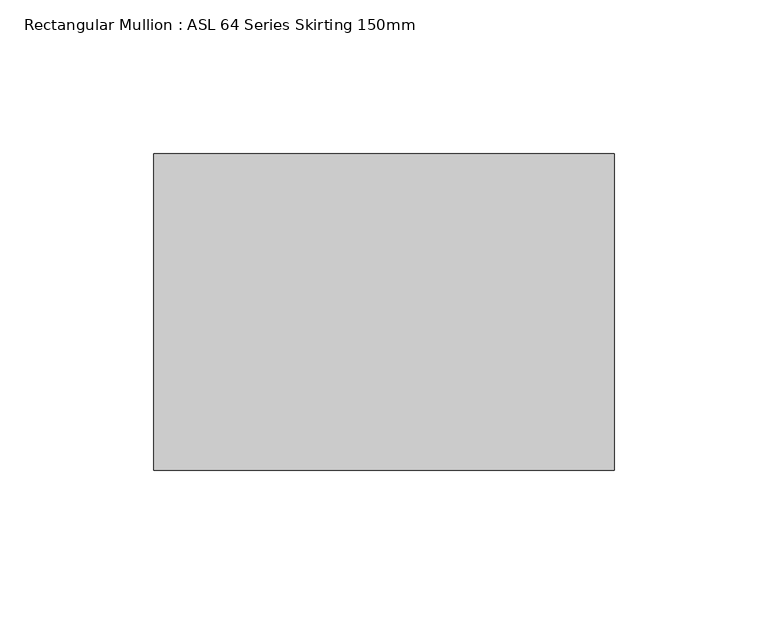
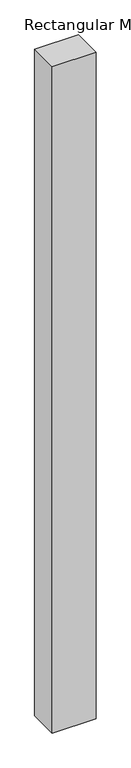
"""IFC4 building model written with IfcOpenShell, lengths in millimetres: member geometry, Rectangular Mullion : ASL 64 Series Skirting 150mm."""

from ifc_helpers import new_model, si_unit, frame, origin, place, context, project, spatial, polyline, outline, extrude, source, transform, mapped, element, save


def rectangular_mullion_asl_64_series_skirting_150mm_da43bd2f(model_context):
    return source(origin(), model_context, "Body", "SweptSolid", [
        extrude(outline(polyline([(-150.0, 51.5), (0.0, 51.5), (0.0, -51.5), (-150.0, -51.5), (-150.0, 51.5)])), frame((0.0, 0.0, -2400.0), z_axis=(0.0, 0.0, 1.0), x_axis=(1.0, 0.0, 0.0)), (0.0, 0.0, 1.0), 2400.0),
    ])


if __name__ == "__main__":
    model = new_model("IFC4")
    model_context = context("Model", 3, world=origin())
    ifc_project = project(units=[si_unit("LENGTHUNIT", "METRE", prefix="MILLI")], contexts=[model_context])
    site = spatial("IfcSite", under=ifc_project)
    building = spatial("IfcBuilding", under=site)
    placement = place(None, origin())
    rectangular_mullion_asl_64_series_skirting_150mm_shape = rectangular_mullion_asl_64_series_skirting_150mm_da43bd2f(model_context)
    element("IfcMember", 1, ObjectType="Rectangular Mullion : ASL 64 Series Skirting 150mm", at=placement, inside=building, context=model_context, shape_type="MappedRepresentation", body=[
        mapped(rectangular_mullion_asl_64_series_skirting_150mm_shape, transform((0.0, 0.0, 0.0), x_axis=(1.0, 0.0, 0.0), y_axis=(0.0, 1.0, 0.0), z_axis=(0.0, 0.0, 1.0))),
    ])
    save(model, "model.ifc")
